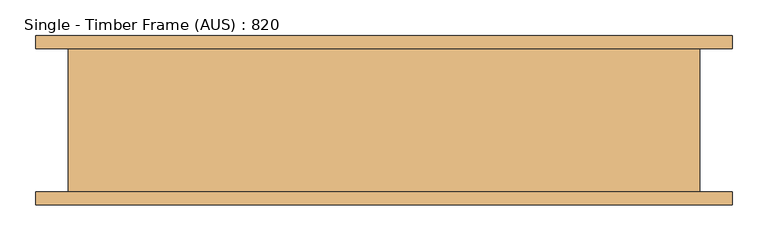
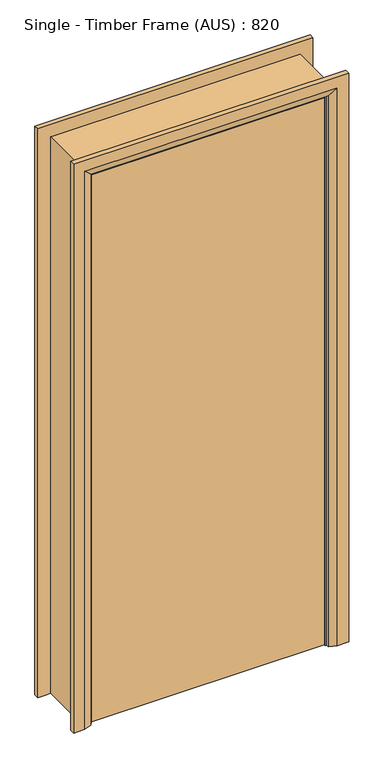
"""IFC4 building model written with IfcOpenShell, lengths in millimetres: door geometry, Single - Timber Frame (AUS) : 820."""

from ifc_helpers import new_model, si_unit, frame, origin, place, context, project, spatial, polyline, outline, extrude, faceted_brep, source, transform, mapped, element, save


def single_timber_frame_aus_820_1a867dc0(model_context):
    return source(origin(), model_context, "Body", "SolidModel", [
        extrude(outline(polyline([(410.0, -100.0), (-410.0, -100.0), (-410.0, -62.0), (410.0, -62.0), (410.0, -100.0)])), frame((0.0, 0.0, 5.0), z_axis=(0.0, 0.0, 1.0), x_axis=(1.0, 0.0, 0.0)), (0.0, 0.0, 1.0), 2040.0),
        faceted_brep([(418.0, 100.0, 0.0), (418.0, 108.0, 0.0), (445.0, 118.0, 0.0), (485.0, 118.0, 0.0), (485.0, 100.0, 0.0), (418.0, 100.0, 2053.0), (418.0, 108.0, 2053.0), (445.0, 118.0, 2080.0), (-445.0, 118.0, 2080.0), (-445.0, 118.0, 0.0), (-485.0, 118.0, 0.0), (-485.0, 118.0, 2120.0), (485.0, 118.0, 2120.0), (485.0, 100.0, 2120.0), (-485.0, 100.0, 2120.0), (-485.0, 100.0, 0.0), (-418.0, 100.0, 0.0), (-418.0, 100.0, 2053.0), (-418.0, 108.0, 2053.0), (-418.0, 108.0, 0.0)], [[[0, 1, 2, 3, 4]], [[1, 0, 5, 6]], [[2, 1, 6, 7]], [[3, 2, 7, 8, 9, 10, 11, 12]], [[4, 3, 12, 13]], [[0, 4, 13, 14, 15, 16, 17, 5]], [[6, 5, 17, 18]], [[7, 6, 18, 8]], [[13, 12, 11, 14]], [[16, 15, 10, 9, 19]], [[18, 17, 16, 19]], [[8, 18, 19, 9]], [[14, 11, 10, 15]]]),
        faceted_brep([(-418.0, -100.0, 0.0), (-418.0, -108.0, 0.0), (-445.0, -118.0, 0.0), (-485.0, -118.0, 0.0), (-485.0, -100.0, 0.0), (-418.0, -100.0, 2053.0), (-418.0, -108.0, 2053.0), (-445.0, -118.0, 2080.0), (445.0, -118.0, 2080.0), (445.0, -118.0, 0.0), (485.0, -118.0, 0.0), (485.0, -118.0, 2120.0), (-485.0, -118.0, 2120.0), (-485.0, -100.0, 2120.0), (485.0, -100.0, 2120.0), (485.0, -100.0, 0.0), (418.0, -100.0, 0.0), (418.0, -100.0, 2053.0), (418.0, -108.0, 2053.0), (418.0, -108.0, 0.0)], [[[0, 1, 2, 3, 4]], [[1, 0, 5, 6]], [[2, 1, 6, 7]], [[3, 2, 7, 8, 9, 10, 11, 12]], [[4, 3, 12, 13]], [[0, 4, 13, 14, 15, 16, 17, 5]], [[6, 5, 17, 18]], [[7, 6, 18, 8]], [[13, 12, 11, 14]], [[16, 15, 10, 9, 19]], [[18, 17, 16, 19]], [[8, 18, 19, 9]], [[14, 11, 10, 15]]]),
        faceted_brep([(-440.0, 100.0, 0.0), (-413.0, 100.0, 0.0), (-413.0, 60.0, 0.0), (-398.0, 60.0, 0.0), (-398.0, -60.0, 0.0), (-413.0, -60.0, 0.0), (-413.0, -100.0, 0.0), (-440.0, -100.0, 0.0), (-440.0, 100.0, 2075.0), (440.0, 100.0, 2075.0), (440.0, 100.0, 0.0), (413.0, 100.0, 0.0), (413.0, 100.0, 2048.0), (-413.0, 100.0, 2048.0), (-413.0, 60.0, 2048.0), (413.0, 60.0, 2048.0), (413.0, 60.0, 0.0), (398.0, 60.0, 0.0), (398.0, 60.0, 2033.0), (-398.0, 60.0, 2033.0), (-398.0, -60.0, 2033.0), (398.0, -60.0, 2033.0), (398.0, -60.0, 0.0), (413.0, -60.0, 0.0), (413.0, -60.0, 2048.0), (-413.0, -60.0, 2048.0), (-413.0, -100.0, 2048.0), (413.0, -100.0, 2048.0), (413.0, -100.0, 0.0), (440.0, -100.0, 0.0), (440.0, -100.0, 2075.0), (-440.0, -100.0, 2075.0)], [[[0, 1, 2, 3, 4, 5, 6, 7]], [[1, 0, 8, 9, 10, 11, 12, 13]], [[2, 1, 13, 14]], [[3, 2, 14, 15, 16, 17, 18, 19]], [[4, 3, 19, 20]], [[5, 4, 20, 21, 22, 23, 24, 25]], [[6, 5, 25, 26]], [[7, 6, 26, 27, 28, 29, 30, 31]], [[0, 7, 31, 8]], [[14, 13, 12, 15]], [[20, 19, 18, 21]], [[26, 25, 24, 27]], [[8, 31, 30, 9]], [[10, 29, 28, 23, 22, 17, 16, 11]], [[15, 12, 11, 16]], [[21, 18, 17, 22]], [[27, 24, 23, 28]], [[9, 30, 29, 10]]]),
    ])


if __name__ == "__main__":
    model = new_model("IFC4")
    model_context = context("Model", 3, world=origin())
    ifc_project = project(units=[si_unit("LENGTHUNIT", "METRE", prefix="MILLI")], contexts=[model_context])
    site = spatial("IfcSite", under=ifc_project)
    building = spatial("IfcBuilding", under=site)
    placement = place(None, origin())
    single_timber_frame_aus_820_shape = single_timber_frame_aus_820_1a867dc0(model_context)
    element("IfcDoor", 1, ObjectType="Single - Timber Frame (AUS) : 820", at=placement, inside=building, context=model_context, shape_type="MappedRepresentation", body=[
        mapped(single_timber_frame_aus_820_shape, transform((0.0, 0.0, 0.0), x_axis=(1.0, 0.0, 0.0), y_axis=(0.0, 1.0, 0.0), z_axis=(0.0, 0.0, 1.0))),
    ])
    save(model, "model.ifc")
